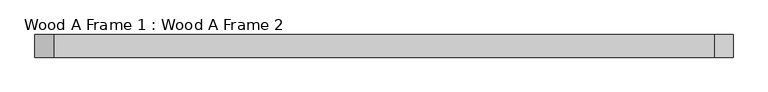
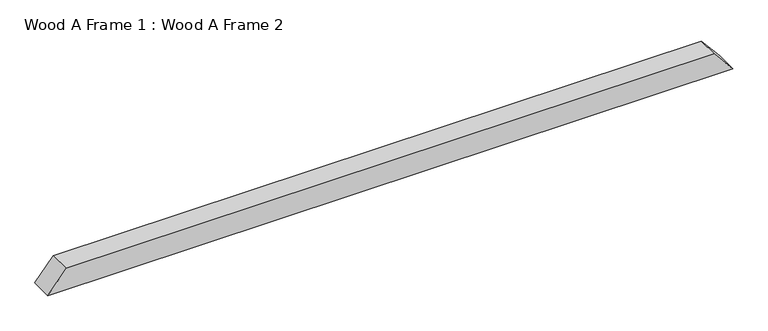
"""IFC4 building model written with IfcOpenShell, lengths in millimetres: proxy geometry, Wood A Frame 1 : Wood A Frame 2."""

from ifc_helpers import new_model, si_unit, frame, origin, place, context, project, spatial, polyline, outline, extrude, source, transform, mapped, element, save


def wood_a_frame_1_wood_a_frame_2_4e546075(model_context):
    return source(origin(), model_context, "Body", "SweptSolid", [
        extrude(outline(polyline([(571.8572288, 262029.3691076), (622.6572288, 261987.0357743), (622.6572288, 260505.8120669), (571.8572288, 260463.4787336), (571.8572288, 262029.3691076)])), frame((0.0, -111622.509309, 0.0), z_axis=(0.0, 1.0, 0.0), x_axis=(0.0, 0.0, 1.0)), (0.0, 0.0, 1.0), 50.8),
    ])


if __name__ == "__main__":
    model = new_model("IFC4")
    model_context = context("Model", 3, world=origin())
    ifc_project = project(units=[si_unit("LENGTHUNIT", "METRE", prefix="MILLI")], contexts=[model_context])
    site = spatial("IfcSite", under=ifc_project)
    building = spatial("IfcBuilding", under=site)
    placement = place(None, origin())
    wood_a_frame_1_wood_a_frame_2_shape = wood_a_frame_1_wood_a_frame_2_4e546075(model_context)
    element("IfcBuildingElementProxy", 1, Name="Wood A Frame 1 : Wood A Frame 2", ObjectType="Wood A Frame 1 : Wood A Frame 2", at=placement, inside=building, context=model_context, shape_type="MappedRepresentation", body=[
        mapped(wood_a_frame_1_wood_a_frame_2_shape, transform((0.0, 0.0, 0.0), x_axis=(1.0, 0.0, 0.0), y_axis=(0.0, 1.0, 0.0), z_axis=(0.0, 0.0, 1.0))),
    ])
    save(model, "model.ifc")
